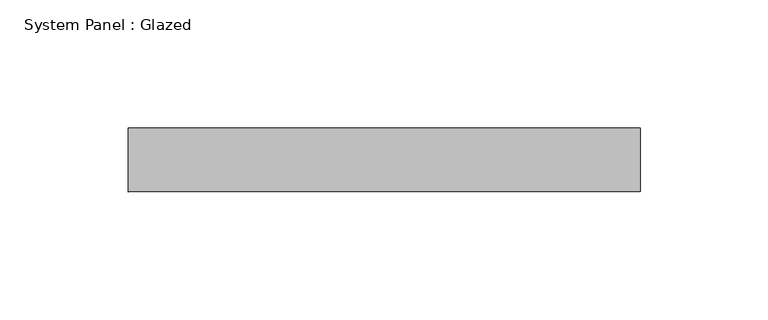
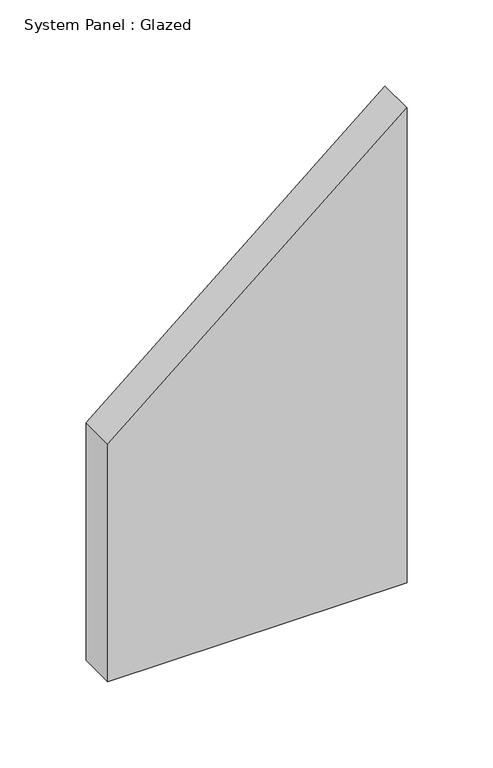
"""IFC4 building model written with IfcOpenShell, lengths in millimetres: plate geometry, System Panel : Glazed."""

from ifc_helpers import new_model, si_unit, frame, origin, place, context, project, spatial, polyline, outline, extrude, source, transform, mapped, element, save


def system_panel_glazed_5a6ee907(model_context):
    return source(origin(), model_context, "Body", "SweptSolid", [
        extrude(outline(polyline([(0.0, -100.0), (0.0, 100.0), (335.6398527, 100.0), (167.8199265, -100.0), (0.0, -100.0)])), frame((0.0, 24.5, 0.0), z_axis=(0.0, 1.0, 0.0), x_axis=(0.0, 0.0, 1.0)), (0.0, 0.0, 1.0), 25.0),
    ])


if __name__ == "__main__":
    model = new_model("IFC4")
    model_context = context("Model", 3, world=origin())
    ifc_project = project(units=[si_unit("LENGTHUNIT", "METRE", prefix="MILLI")], contexts=[model_context])
    site = spatial("IfcSite", under=ifc_project)
    building = spatial("IfcBuilding", under=site)
    placement = place(None, origin())
    system_panel_glazed_shape = system_panel_glazed_5a6ee907(model_context)
    element("IfcPlate", 1, ObjectType="System Panel : Glazed", at=placement, inside=building, context=model_context, shape_type="MappedRepresentation", body=[
        mapped(system_panel_glazed_shape, transform((0.0, 0.0, 0.0), x_axis=(1.0, 0.0, 0.0), y_axis=(0.0, 1.0, 0.0), z_axis=(0.0, 0.0, 1.0))),
    ])
    save(model, "model.ifc")
